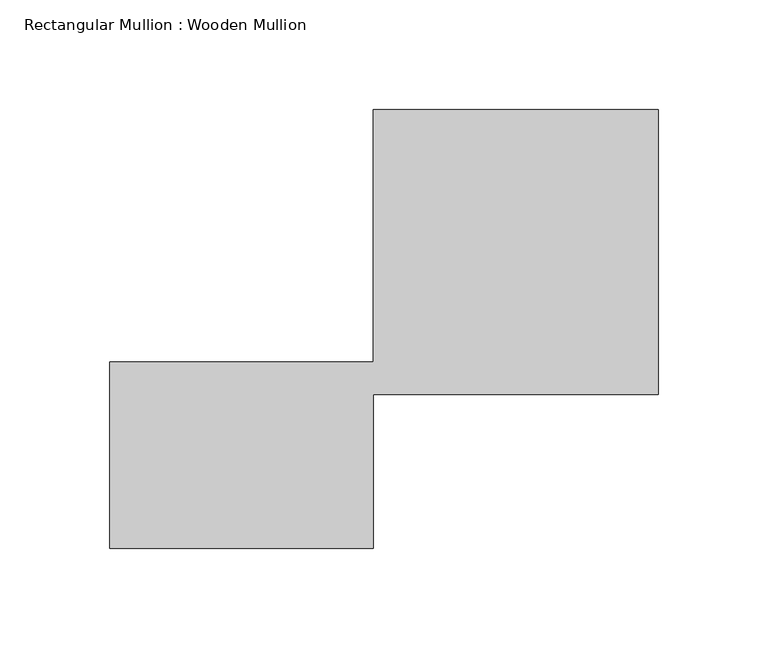
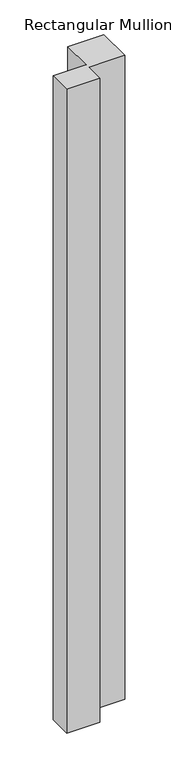
"""IFC4 building model written with IfcOpenShell, lengths in millimetres: member geometry, Rectangular Mullion : Wooden Mullion."""

from ifc_helpers import new_model, si_unit, frame, origin, place, context, project, spatial, polyline, outline, extrude, source, transform, mapped, element, save


def rectangular_mullion_wooden_mullion_359d74b2(model_context):
    return source(origin(), model_context, "Body", "SweptSolid", [
        extrude(outline(polyline([(74.8100006, -26.0137344), (-45.1899994, -26.0137344), (-45.1899994, 58.9862656), (74.8100006, 58.9862656), (74.8100006, 173.9862656), (204.8100006, 173.9862656), (204.8100006, 43.9862656), (74.8100006, 43.9862656), (74.8100006, -26.0137344)])), frame((0.0, 0.0, -2469.057847), z_axis=(0.0, 0.0, 1.0), x_axis=(1.0, 0.0, 0.0)), (0.0, 0.0, 1.0), 2469.057847),
    ])


if __name__ == "__main__":
    model = new_model("IFC4")
    model_context = context("Model", 3, world=origin())
    ifc_project = project(units=[si_unit("LENGTHUNIT", "METRE", prefix="MILLI")], contexts=[model_context])
    site = spatial("IfcSite", under=ifc_project)
    building = spatial("IfcBuilding", under=site)
    placement = place(None, origin())
    rectangular_mullion_wooden_mullion_shape = rectangular_mullion_wooden_mullion_359d74b2(model_context)
    element("IfcMember", 1, ObjectType="Rectangular Mullion : Wooden Mullion", at=placement, inside=building, context=model_context, shape_type="MappedRepresentation", body=[
        mapped(rectangular_mullion_wooden_mullion_shape, transform((0.0, 0.0, 0.0), x_axis=(1.0, 0.0, 0.0), y_axis=(0.0, 1.0, 0.0), z_axis=(0.0, 0.0, 1.0))),
    ])
    save(model, "model.ifc")
